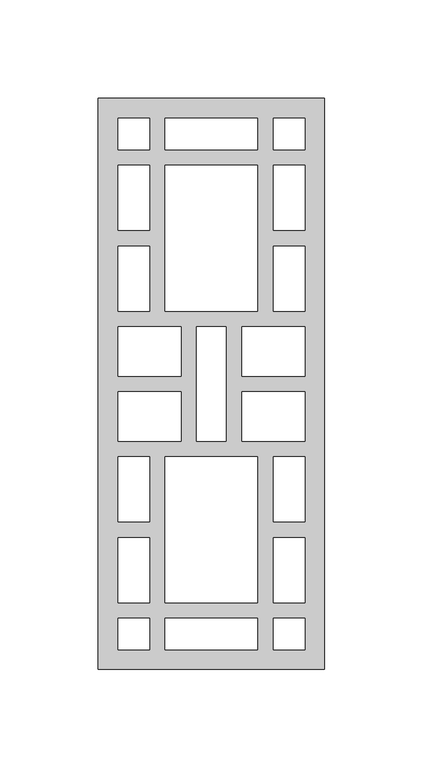
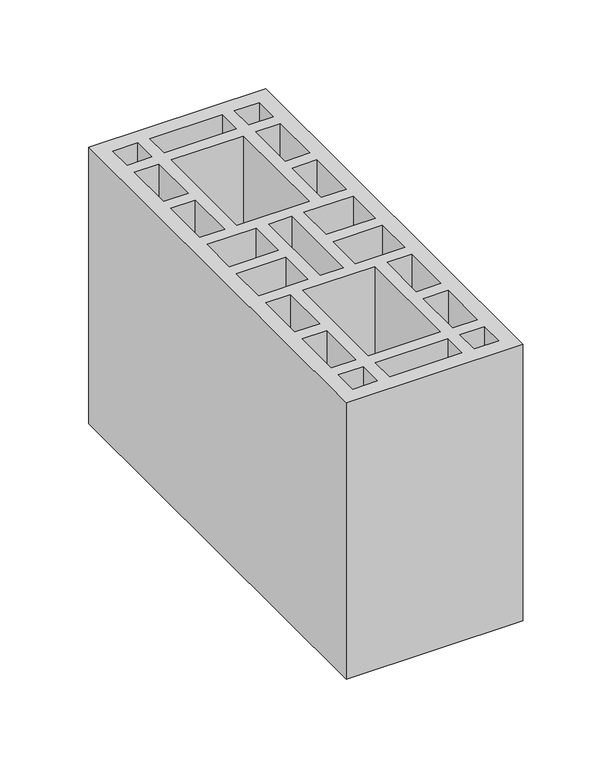
"""IFC4 building model written with IfcOpenShell, lengths in millimetres: proxy geometry."""

from ifc_helpers import new_model, si_unit, origin, origin_with_axes, place, context, project, spatial, polyline, outline, extrude, source, transform, mapped, element, save


def generic_models_071226a7(model_context):
    return source(origin(), model_context, "Body", "SweptSolid", [
        extrude(outline(polyline([(115.0, 0.0), (0.0, 0.0), (0.0, 290.0), (115.0, 290.0), (115.0, 0.0)]), holes=[polyline([(89.0, 10.0), (105.0, 10.0), (105.0, 26.0), (89.0, 26.0), (89.0, 10.0)]), polyline([(26.0, 10.0), (26.0, 26.0), (10.0, 26.0), (10.0, 10.0), (26.0, 10.0)]), polyline([(89.0, 280.0), (89.0, 264.0), (105.0, 264.0), (105.0, 280.0), (89.0, 280.0)]), polyline([(26.0, 280.0), (10.0, 280.0), (10.0, 264.0), (26.0, 264.0), (26.0, 280.0)]), polyline([(34.0, 10.0), (81.0, 10.0), (81.0, 26.0), (34.0, 26.0), (34.0, 10.0)]), polyline([(34.0, 280.0), (34.0, 264.0), (81.0, 264.0), (81.0, 280.0), (34.0, 280.0)]), polyline([(34.0, 34.0), (81.0, 34.0), (81.0, 108.0), (34.0, 108.0), (34.0, 34.0)]), polyline([(34.0, 256.0), (34.0, 182.0), (81.0, 182.0), (81.0, 256.0), (34.0, 256.0)]), polyline([(105.0, 34.0), (105.0, 67.0), (89.0, 67.0), (89.0, 34.0), (105.0, 34.0)]), polyline([(89.0, 75.0), (105.0, 75.0), (105.0, 108.0), (89.0, 108.0), (89.0, 75.0)]), polyline([(10.0, 34.0), (26.0, 34.0), (26.0, 67.0), (10.0, 67.0), (10.0, 34.0)]), polyline([(26.0, 75.0), (26.0, 108.0), (10.0, 108.0), (10.0, 75.0), (26.0, 75.0)]), polyline([(105.0, 256.0), (89.0, 256.0), (89.0, 223.0), (105.0, 223.0), (105.0, 256.0)]), polyline([(89.0, 215.0), (89.0, 182.0), (105.0, 182.0), (105.0, 215.0), (89.0, 215.0)]), polyline([(10.0, 256.0), (10.0, 223.0), (26.0, 223.0), (26.0, 256.0), (10.0, 256.0)]), polyline([(26.0, 215.0), (10.0, 215.0), (10.0, 182.0), (26.0, 182.0), (26.0, 215.0)]), polyline([(50.0, 116.0), (65.0, 116.0), (65.0, 174.0), (50.0, 174.0), (50.0, 116.0)]), polyline([(73.0, 174.0), (73.0, 149.0), (105.0, 149.0), (105.0, 174.0), (73.0, 174.0)]), polyline([(73.0, 116.0), (105.0, 116.0), (105.0, 141.0), (73.0, 141.0), (73.0, 116.0)]), polyline([(42.0, 174.0), (10.0, 174.0), (10.0, 149.0), (42.0, 149.0), (42.0, 174.0)]), polyline([(42.0, 116.0), (42.0, 141.0), (10.0, 141.0), (10.0, 116.0), (42.0, 116.0)])]), origin_with_axes(), (0.0, 0.0, 1.0), 190.0),
    ])


if __name__ == "__main__":
    model = new_model("IFC4")
    model_context = context("Model", 3, world=origin())
    ifc_project = project(units=[si_unit("LENGTHUNIT", "METRE", prefix="MILLI")], contexts=[model_context])
    site = spatial("IfcSite", under=ifc_project)
    building = spatial("IfcBuilding", under=site)
    placement = place(None, origin())
    generic_models_shape = generic_models_071226a7(model_context)
    element("IfcBuildingElementProxy", 1, Name="Generic Models", at=placement, inside=building, context=model_context, shape_type="MappedRepresentation", body=[
        mapped(generic_models_shape, transform((0.0, 0.0, 0.0), x_axis=(1.0, 0.0, 0.0), y_axis=(0.0, 1.0, 0.0), z_axis=(0.0, 0.0, 1.0))),
    ])
    save(model, "model.ifc")
